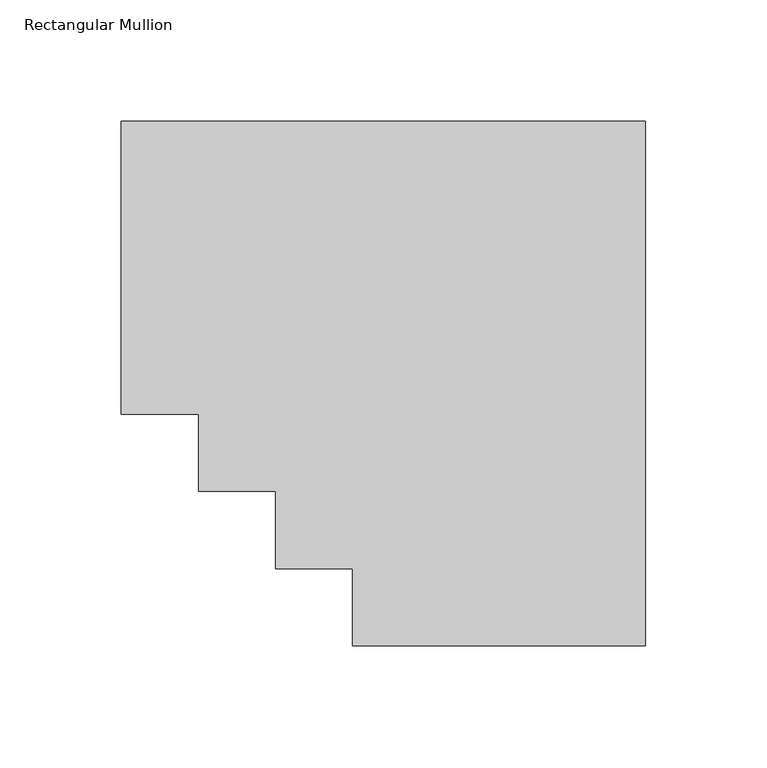
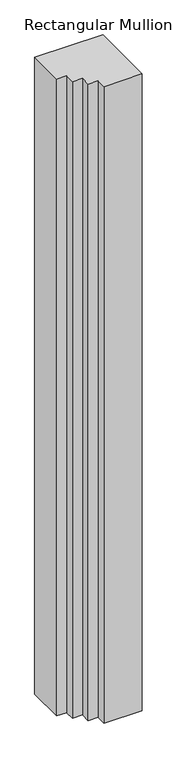
"""IFC4 building model written with IfcOpenShell, lengths in millimetres: member geometry, Rectangular Mullion."""

from ifc_helpers import new_model, si_unit, frame, origin, place, context, project, spatial, polyline, outline, extrude, source, transform, mapped, element, save


def rectangular_mullion_0eb26ca9(model_context):
    return source(origin(), model_context, "Body", "SweptSolid", [
        extrude(outline(polyline([(-215.9, 152.4), (0.0, 152.4), (0.0, -63.5), (-120.65, -63.5), (-120.65, -31.75), (-152.4, -31.75), (-152.4, 0.0), (-184.15, 0.0), (-184.15, 31.75), (-215.9, 31.75), (-215.9, 152.4)])), frame((0.0, 0.0, -2133.6), z_axis=(0.0, 0.0, 1.0), x_axis=(1.0, 0.0, 0.0)), (0.0, 0.0, 1.0), 2133.6),
    ])


if __name__ == "__main__":
    model = new_model("IFC4")
    model_context = context("Model", 3, world=origin())
    ifc_project = project(units=[si_unit("LENGTHUNIT", "METRE", prefix="MILLI")], contexts=[model_context])
    site = spatial("IfcSite", under=ifc_project)
    building = spatial("IfcBuilding", under=site)
    placement = place(None, origin())
    rectangular_mullion_shape = rectangular_mullion_0eb26ca9(model_context)
    element("IfcMember", 1, ObjectType="Rectangular Mullion", at=placement, inside=building, context=model_context, shape_type="MappedRepresentation", body=[
        mapped(rectangular_mullion_shape, transform((0.0, 0.0, 0.0), x_axis=(1.0, 0.0, 0.0), y_axis=(0.0, 1.0, 0.0), z_axis=(0.0, 0.0, 1.0))),
    ])
    save(model, "model.ifc")
